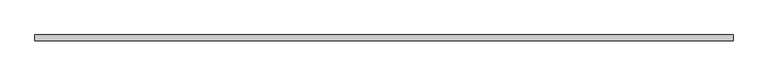
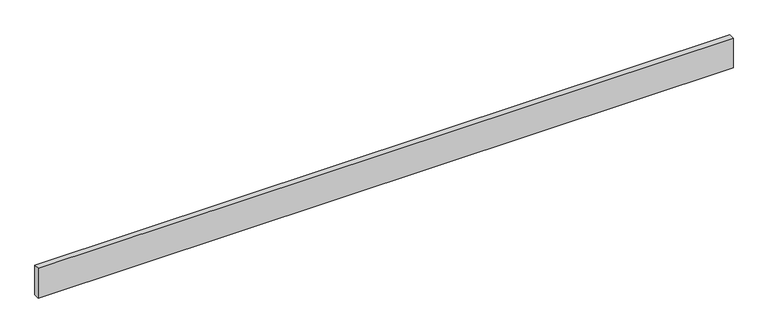
"""IFC4 building model written with IfcOpenShell, lengths in millimetres: beam geometry."""

from ifc_helpers import new_model, si_unit, frame, origin, place, context, project, spatial, polyline, outline, extrude, source, transform, mapped, element, save


def beam_4524484c(model_context):
    return source(origin(), model_context, "Body", "SweptSolid", [
        extrude(outline(polyline([(2209.8, -18.0), (-2209.8, -18.0), (-2209.8, 18.0), (2209.8, 18.0), (2209.8, -18.0)])), frame((0.0, 0.0, -100.0), z_axis=(0.0, 0.0, 1.0), x_axis=(1.0, 0.0, 0.0)), (0.0, 0.0, 1.0), 200.0),
    ])


if __name__ == "__main__":
    model = new_model("IFC4")
    model_context = context("Model", 3, world=origin())
    ifc_project = project(units=[si_unit("LENGTHUNIT", "METRE", prefix="MILLI")], contexts=[model_context])
    site = spatial("IfcSite", under=ifc_project)
    building = spatial("IfcBuilding", under=site)
    placement = place(None, origin())
    beam_shape = beam_4524484c(model_context)
    element("IfcBeam", 1, at=placement, inside=building, context=model_context, shape_type="MappedRepresentation", body=[
        mapped(beam_shape, transform((0.0, 0.0, 0.0), x_axis=(1.0, 0.0, 0.0), y_axis=(0.0, 1.0, 0.0), z_axis=(0.0, 0.0, 1.0))),
    ])
    save(model, "model.ifc")
